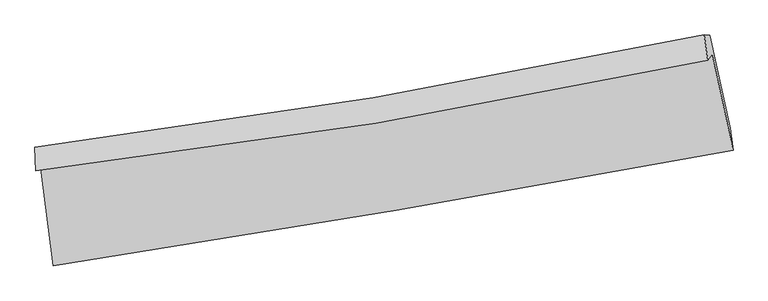
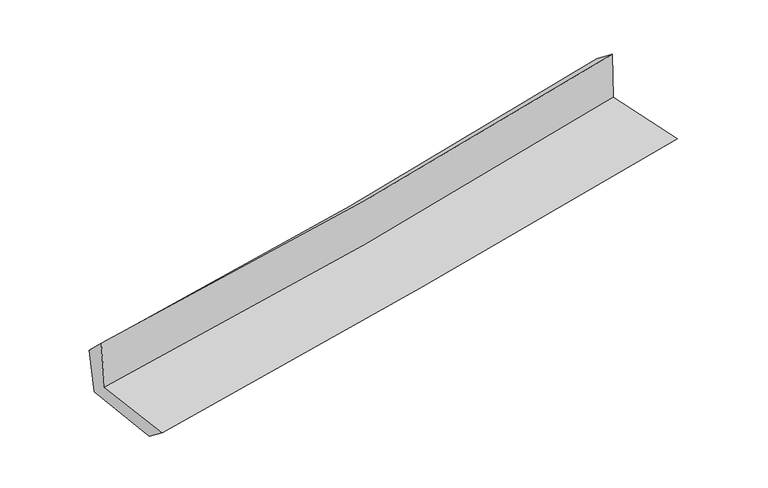
"""IFC4 building model written with IfcOpenShell, lengths in millimetres: proxy geometry."""

from ifc_helpers import new_model, si_unit, frame, origin, place, context, project, spatial, source, transform, mapped, element, save
from ifc_brep_helpers import plane_surface, spline_curve, spline_surface, advanced_brep


def generic_models_7b30515f(model_context):
    return source(origin(), model_context, "Body", "AdvancedBrep", [
        advanced_brep(
        [(-2320.5669423, -1871.9555042, 1690.800857), (-2235.7961085, -2537.4768086, 1674.7559936), (2391.1650224, -1751.6646874, 2096.2516803), (2249.8503767, -1096.9241863, 2107.1631092), (-2356.4418186, -1889.4654339, 2089.9874954), (2219.0425027, -1140.1098962, 2510.7038153), (-2361.4237601, -1732.0686233, 1935.7800407), (2195.0713199, -965.9502008, 2376.4150615), (-2326.2959141, -1735.4330744, 1571.8078425), (2232.9207976, -969.1260635, 2001.9689114), (-2244.4519184, -2371.2981515, 1547.5574448), (2370.478369, -1602.5484439, 1982.9094187)],
        [
            (0, 1),
            (1, 2, spline_curve(3, [(-2235.7961085, -2537.4768086, 1674.7559936), (-1456.888438178, -2417.328367147, 1742.934069325), (-678.929073305, -2291.226815307, 1812.424802567), (863.362887529, -2029.111055753, 1952.962698567), (1627.723899866, -1893.275234032, 2023.970527856), (2391.1650224, -1751.6646874, 2096.2516803)], [4, 2, 4], [0.0, 7.741739396396951, 15.366605527113206])),
            (2, 3),
            (3, 0, spline_curve(3, [(2249.8503767, -1096.9241863, 2107.1631092), (1499.52402874, -1255.456124323, 2035.386929274), (746.410858383, -1398.932204949, 1965.054810387), (-776.975494424, -1657.741064334, 1826.222784828), (-1547.334763581, -1772.608756515, 1757.767486248), (-2320.5669423, -1871.9555042, 1690.800857)], [4, 2, 4], [0.0, 7.6248661307162555, 15.366605527113206])),
            (4, 0),
            (3, 5),
            (5, 4, spline_curve(3, [(2219.0425027, -1140.1098962, 2510.7038153), (1468.240896182, -1299.706976987, 2439.656775779), (714.47243774, -1441.612454183, 2369.334659008), (-810.597354256, -1691.944140354, 2229.073492438), (-1581.990336338, -1799.823842493, 2159.156835663), (-2356.4418186, -1889.4654339, 2089.9874954)], [4, 2, 4], [0.0, 7.579999778161866, 15.27618511456769])),
            (6, 4),
            (5, 7),
            (7, 6, spline_curve(3, [(2195.0713199, -965.9502008, 2376.4150615), (1446.979748598, -1125.168864258, 2305.570652235), (696.135070926, -1268.259432535, 2233.715882516), (-822.611576921, -1524.130449501, 2086.8687533), (-1590.59859248, -1636.412688444, 2011.845182432), (-2361.4237601, -1732.0686233, 1935.7800407)], [4, 2, 4], [0.0, 7.569614699397695, 15.25525577548144])),
            (8, 6),
            (7, 9),
            (9, 8, spline_curve(3, [(2232.9207976, -969.1260635, 2001.9689114), (1485.015256459, -1128.451637768, 1926.179762517), (734.040935162, -1271.611546029, 1852.693422235), (-785.603171529, -1527.546585943, 1709.235263558), (-1554.367754526, -1639.822348181, 1639.334580952), (-2326.2959141, -1735.4330744, 1571.8078425)], [4, 2, 4], [0.0, 7.559407585020629, 15.234685092991601])),
            (10, 8),
            (9, 11),
            (11, 10, spline_curve(3, [(2370.478369, -1602.5484439, 1982.9094187), (1610.341677936, -1748.58818472, 1906.635609604), (848.63282572, -1885.255125743, 1832.47907569), (-689.628704992, -2141.79456106, 1687.296347), (-1466.229948409, -2261.377522758, 1616.335556069), (-2244.4519184, -2371.2981515, 1547.5574448)], [4, 2, 4], [0.0, 7.605325010775757, 15.327223762694551])),
            (1, 10),
            (11, 2),
        ],
        [
            spline_surface(3, 3, [[(-2320.5669423, -1871.9555042, 1690.800857), (-1547.334763651, -1772.608756611, 1757.767486286), (-776.975494304, -1657.741064441, 1826.222784837), (746.410858266, -1398.932204843, 1965.054810378), (1499.524028632, -1255.456124368, 2035.386929251), (2249.8503767, -1096.9241863, 2107.1631092)], [(-2292.309997697, -2093.795939007, 1685.452569199), (-1517.185988463, -1987.515293428, 1752.823013994), (-744.293353988, -1868.902981348, 1821.623457375), (785.394868009, -1608.991821811, 1961.024106458), (1542.257319016, -1468.062494205, 2031.581462117), (2296.955258607, -1315.171019985, 2103.525966247)], [(-2264.053053103, -2315.636373793, 1680.104281401), (-1487.037213283, -2202.421830225, 1747.878541704), (-711.611213631, -2080.064898331, 1817.024129946), (824.378877795, -1819.051438855, 1956.993402571), (1584.990609378, -1680.668864087, 2027.775994941), (2344.060140493, -1533.417853715, 2099.888823253)], [(-2235.7961085, -2537.4768086, 1674.7559936), (-1456.888438095, -2417.328367042, 1742.934069411), (-678.929073315, -2291.226815237, 1812.424802483), (863.362887539, -2029.111055822, 1952.96269865), (1627.723899762, -1893.275233925, 2023.970527807), (2391.1650224, -1751.6646874, 2096.2516803)]], [4, 4], [4, 2, 4], [0.0, 2.1031669970767473], [0.0, 7.741739396396951, 15.366605527113206]),
            spline_surface(3, 3, [[(-2356.4418186, -1889.4654339, 2089.9874954), (-1581.990336293, -1799.823842585, 2159.15683567), (-810.597354304, -1691.944140476, 2229.07349236), (714.472437788, -1441.612454063, 2369.334659085), (1468.240896253, -1299.706976932, 2439.656775698), (2219.0425027, -1140.1098962, 2510.7038153)], [(-2344.483526505, -1883.628790676, 1956.925282597), (-1570.438478751, -1790.752147269, 2025.360385872), (-799.390067638, -1680.543115137, 2094.789923168), (725.118577946, -1427.385704329, 2234.574709499), (1478.668607028, -1284.956692756, 2304.900160201), (2229.311794016, -1125.714659578, 2376.190246586)], [(-2332.525234395, -1877.792147424, 1823.863069803), (-1558.886621194, -1781.680451926, 1891.563936084), (-788.18278097, -1669.14208978, 1960.506354029), (735.764718107, -1413.158954577, 2099.814759965), (1489.096317857, -1270.206408544, 2170.143544748), (2239.581085384, -1111.319422922, 2241.676677914)], [(-2320.5669423, -1871.9555042, 1690.800857), (-1547.334763651, -1772.608756611, 1757.767486286), (-776.975494304, -1657.741064441, 1826.222784837), (746.410858266, -1398.932204843, 1965.054810378), (1499.524028632, -1255.456124368, 2035.386929251), (2249.8503767, -1096.9241863, 2107.1631092)]], [4, 4], [4, 2, 4], [0.0, 1.3343148449054476], [0.0, 7.696185336405824, 15.27618511456769]),
            spline_surface(3, 3, [[(-2361.4237601, -1732.0686233, 1935.7800407), (-1590.598592503, -1636.412688353, 2011.845182402), (-822.611576875, -1524.130449374, 2086.868753175), (696.135070881, -1268.259432659, 2233.715882638), (1446.979748607, -1125.168864164, 2305.570652142), (2195.0713199, -965.9502008, 2376.4150615)], [(-2359.763112919, -1784.534226822, 1987.182525606), (-1587.729173752, -1690.883073086, 2060.949066831), (-818.606836001, -1580.068346428, 2134.270332918), (702.247526534, -1326.043773147, 2278.922141469), (1454.066797837, -1183.348235091, 2350.266026671), (2203.061714181, -1024.003432604, 2421.177979444)], [(-2358.102465781, -1836.999830378, 2038.585010494), (-1584.859755044, -1745.353457853, 2110.052951241), (-814.602095179, -1636.006243422, 2181.671912617), (708.359982135, -1383.828113575, 2324.128400255), (1461.153847023, -1241.527606005, 2394.961401169), (2211.052108419, -1082.056664396, 2465.940897356)], [(-2356.4418186, -1889.4654339, 2089.9874954), (-1581.990336293, -1799.823842585, 2159.15683567), (-810.597354304, -1691.944140476, 2229.07349236), (714.472437788, -1441.612454063, 2369.334659085), (1468.240896253, -1299.706976932, 2439.656775698), (2219.0425027, -1140.1098962, 2510.7038153)]], [4, 4], [4, 2, 4], [0.0, 0.7234496902506522], [0.0, 7.685641076083746, 15.25525577548144]),
            spline_surface(3, 3, [[(-2326.2959141, -1735.4330744, 1571.8078425), (-1554.367754443, -1639.822348225, 1639.334581022), (-785.60317165, -1527.546586035, 1709.235263665), (734.040935281, -1271.611545939, 1852.693422129), (1485.015256406, -1128.451637801, 1926.179762497), (2232.9207976, -969.1260635, 2001.9689114)], [(-2338.005196097, -1734.311590708, 1693.131908557), (-1566.44470046, -1638.685794942, 1763.504781472), (-797.939306756, -1526.407873817, 1835.11309351), (721.405647117, -1270.494174848, 1979.700908974), (1472.336753808, -1127.357379903, 2052.643392385), (2220.304305035, -968.067442581, 2126.784294773)], [(-2349.714478103, -1733.190106992, 1814.455974643), (-1578.521646487, -1637.549241636, 1887.674981952), (-810.27544177, -1525.269161593, 1960.990923331), (708.770359045, -1269.376803751, 2106.708395794), (1459.658251205, -1126.263122062, 2179.107022254), (2207.687812465, -967.008821719, 2251.599678127)], [(-2361.4237601, -1732.0686233, 1935.7800407), (-1590.598592503, -1636.412688353, 2011.845182402), (-822.611576875, -1524.130449374, 2086.868753175), (696.135070881, -1268.259432659, 2233.715882638), (1446.979748607, -1125.168864164, 2305.570652142), (2195.0713199, -965.9502008, 2376.4150615)]], [4, 4], [4, 2, 4], [0.0, 1.2505281502427081], [0.0, 7.675277507970972, 15.234685092991601]),
            spline_surface(3, 3, [[(-2244.4519184, -2371.2981515, 1547.5574448), (-1466.229948323, -2261.377522715, 1616.33555616), (-689.628704899, -2141.794561139, 1687.296346899), (848.632825628, -1885.255125665, 1832.47907579), (1610.341678013, -1748.58818466, 1906.635609669), (2370.478369, -1602.5484439, 1982.9094187)], [(-2271.733250298, -2159.343125805, 1555.640910721), (-1495.609217027, -2054.192464556, 1624.001897802), (-721.620193798, -1937.0452361, 1694.609319156), (810.435528864, -1680.707265752, 1839.217191238), (1568.566204142, -1541.876002368, 1913.15032727), (2324.625845198, -1391.407650428, 1989.262582925)], [(-2299.014582202, -1947.388100095, 1563.724376579), (-1524.988485739, -1847.007406384, 1631.668239381), (-753.611682751, -1732.295911074, 1701.922291407), (772.238232046, -1476.159405852, 1845.955306681), (1526.790730277, -1335.163820092, 1919.665044896), (2278.773321402, -1180.266856972, 1995.615747175)], [(-2326.2959141, -1735.4330744, 1571.8078425), (-1554.367754443, -1639.822348225, 1639.334581022), (-785.60317165, -1527.546586035, 1709.235263665), (734.040935281, -1271.611545939, 1852.693422129), (1485.015256406, -1128.451637801, 1926.179762497), (2232.9207976, -969.1260635, 2001.9689114)]], [4, 4], [4, 2, 4], [0.0, 2.0447717666355163], [0.0, 7.721898751918794, 15.327223762694551]),
            spline_surface(3, 3, [[(-2235.7961085, -2537.4768086, 1674.7559936), (-1456.888438095, -2417.328367042, 1742.934069411), (-678.929073315, -2291.226815237, 1812.424802483), (863.362887539, -2029.111055822, 1952.96269865), (1627.723899762, -1893.275233925, 2023.970527807), (2391.1650224, -1751.6646874, 2096.2516803)], [(-2238.681378484, -2482.083922883, 1632.35647732), (-1460.002274856, -2365.344752249, 1700.734564981), (-682.495617166, -2241.416063873, 1770.715317292), (858.452866912, -1981.159079105, 1912.801491034), (1621.929825842, -1845.046217526, 1984.85888842), (2384.269471263, -1701.959272923, 2058.470926426)], [(-2241.566648416, -2426.691037217, 1589.95696108), (-1463.116111563, -2313.361137507, 1658.53506059), (-686.062161048, -2191.605312503, 1729.00583209), (853.542846255, -1933.207102382, 1872.640283406), (1616.135751933, -1796.817201058, 1945.747249056), (2377.373920137, -1652.253858377, 2020.690172574)], [(-2244.4519184, -2371.2981515, 1547.5574448), (-1466.229948323, -2261.377522715, 1616.33555616), (-689.628704899, -2141.794561139, 1687.296346899), (848.632825628, -1885.255125665, 1832.47907579), (1610.341678013, -1748.58818466, 1906.635609669), (2370.478369, -1602.5484439, 1982.9094187)]], [4, 4], [4, 2, 4], [0.0, 0.6291002823032328], [0.0, 7.7779510813689345, 15.43848222690183]),
            plane_surface(frame((2276.421398, -1254.3872463, 2179.2353327), z_axis=(0.9732499397318776, 0.20844949149648465, 0.09660933861047664), x_axis=(-0.10056517957359293, 0.008438193284334162, 0.9948946886738451))),
            plane_surface(frame((-2307.496077, -2022.9495993, 1751.7816123), z_axis=(-0.9878564033907885, -0.12355729481758233, -0.09419830771928349), x_axis=(-0.12631808077321544, 0.9917016279290783, 0.02390865183542148))),
        ],
        [
            (0, [[1, 2, 3, 4]]),
            (1, [[5, -4, 6, 7]]),
            (2, [[8, -7, 9, 10]]),
            (3, [[11, -10, 12, 13]]),
            (4, [[14, -13, 15, 16]]),
            (5, [[17, -16, 18, -2]]),
            (6, [[-12, -9, -6, -3, -18, -15]]),
            (7, [[-1, -5, -8, -11, -14, -17]]),
        ],
    ),
    ])


if __name__ == "__main__":
    model = new_model("IFC4")
    model_context = context("Model", 3, world=origin())
    ifc_project = project(units=[si_unit("LENGTHUNIT", "METRE", prefix="MILLI")], contexts=[model_context])
    site = spatial("IfcSite", under=ifc_project)
    building = spatial("IfcBuilding", under=site)
    placement = place(None, origin())
    generic_models_shape = generic_models_7b30515f(model_context)
    element("IfcBuildingElementProxy", 1, Name="Generic Models", at=placement, inside=building, context=model_context, shape_type="MappedRepresentation", body=[
        mapped(generic_models_shape, transform((0.0, 0.0, 0.0), x_axis=(1.0, 0.0, 0.0), y_axis=(0.0, 1.0, 0.0), z_axis=(0.0, 0.0, 1.0))),
    ])
    save(model, "model.ifc")
